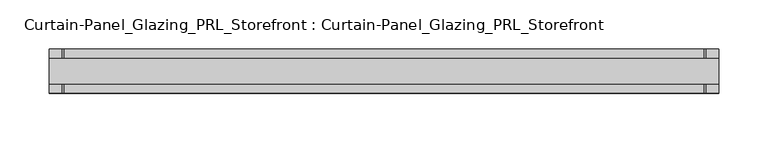
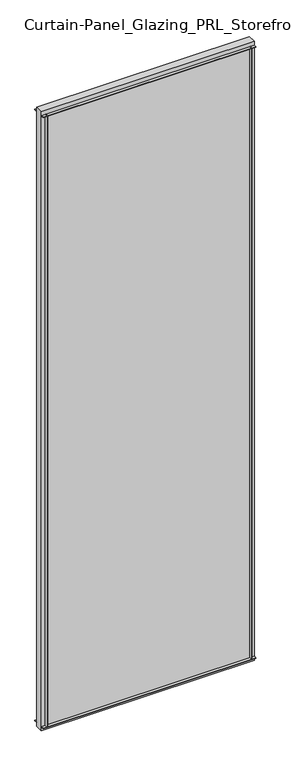
"""IFC4 building model written with IfcOpenShell, lengths in millimetres: plate geometry, Curtain-Panel_Glazing_PRL_Storefront : Curtain-Panel_Glazing_PRL_Storefront."""

from ifc_helpers import new_model, si_unit, frame, origin, origin_with_axes, place, context, project, spatial, polyline, outline, extrude, source, transform, mapped, element, save


def curtain_panel_glazing_prl_storefront_curtain_panel_glazing_9a618da3(model_context):
    return source(origin(), model_context, "Body", "SweptSolid", [
        extrude(outline(polyline([(269.875, 22.225), (269.875, 12.7), (268.2875, 12.7), (268.2875, 22.225), (269.875, 22.225)])), frame((0.0, 0.0, 12.7), z_axis=(0.0, 0.0, 1.0), x_axis=(1.0, 0.0, 0.0)), (0.0, 0.0, 1.0), 2051.05),
        extrude(outline(polyline([(269.875, -22.225), (268.2875, -22.225), (268.2875, -12.7), (269.875, -12.7), (269.875, -22.225)])), frame((0.0, 0.0, 12.7), z_axis=(0.0, 0.0, 1.0), x_axis=(1.0, 0.0, 0.0)), (0.0, 0.0, 1.0), 2051.05),
        extrude(outline(polyline([(-381.0, 22.225), (-379.4125, 22.225), (-379.4125, 12.7), (-381.0, 12.7), (-381.0, 22.225)])), frame((0.0, 0.0, 12.7), z_axis=(0.0, 0.0, 1.0), x_axis=(1.0, 0.0, 0.0)), (0.0, 0.0, 1.0), 2051.05),
        extrude(outline(polyline([(-381.0, -22.225), (-381.0, -12.7), (-379.4125, -12.7), (-379.4125, -22.225), (-381.0, -22.225)])), frame((0.0, 0.0, 12.7), z_axis=(0.0, 0.0, 1.0), x_axis=(1.0, 0.0, 0.0)), (0.0, 0.0, 1.0), 2051.05),
        extrude(outline(polyline([(282.575, -12.7), (-393.7, -12.7), (-393.7, 12.7), (282.575, 12.7), (282.575, -12.7)])), origin_with_axes(), (0.0, 0.0, 1.0), 2076.45),
        extrude(outline(polyline([(-393.7, 22.225), (282.575, 22.225), (282.575, 12.7), (-393.7, 12.7), (-393.7, 22.225)])), frame((0.0, 0.0, 2062.1625), z_axis=(0.0, 0.0, 1.0), x_axis=(1.0, 0.0, 0.0)), (0.0, 0.0, 1.0), 1.5875),
        extrude(outline(polyline([(-393.7, -22.225), (-393.7, -12.7), (282.575, -12.7), (282.575, -22.225), (-393.7, -22.225)])), frame((0.0, 0.0, 2062.1625), z_axis=(0.0, 0.0, 1.0), x_axis=(1.0, 0.0, 0.0)), (0.0, 0.0, 1.0), 1.5875),
        extrude(outline(polyline([(-393.7, 22.225), (282.575, 22.225), (282.575, 12.7), (-393.7, 12.7), (-393.7, 22.225)])), frame((0.0, 0.0, 12.7), z_axis=(0.0, 0.0, 1.0), x_axis=(1.0, 0.0, 0.0)), (0.0, 0.0, 1.0), 1.5875),
        extrude(outline(polyline([(-393.7, -22.225), (-393.7, -12.7), (282.575, -12.7), (282.575, -22.225), (-393.7, -22.225)])), frame((0.0, 0.0, 12.7), z_axis=(0.0, 0.0, 1.0), x_axis=(1.0, 0.0, 0.0)), (0.0, 0.0, 1.0), 1.5875),
    ])


if __name__ == "__main__":
    model = new_model("IFC4")
    model_context = context("Model", 3, world=origin())
    ifc_project = project(units=[si_unit("LENGTHUNIT", "METRE", prefix="MILLI")], contexts=[model_context])
    site = spatial("IfcSite", under=ifc_project)
    building = spatial("IfcBuilding", under=site)
    placement = place(None, origin())
    curtain_panel_glazing_prl_storefront_curtain_panel_glazing_shape = curtain_panel_glazing_prl_storefront_curtain_panel_glazing_9a618da3(model_context)
    element("IfcPlate", 1, ObjectType="Curtain-Panel_Glazing_PRL_Storefront : Curtain-Panel_Glazing_PRL_Storefront", at=placement, inside=building, context=model_context, shape_type="MappedRepresentation", body=[
        mapped(curtain_panel_glazing_prl_storefront_curtain_panel_glazing_shape, transform((0.0, 0.0, 0.0), x_axis=(1.0, 0.0, 0.0), y_axis=(0.0, 1.0, 0.0), z_axis=(0.0, 0.0, 1.0))),
    ])
    save(model, "model.ifc")
